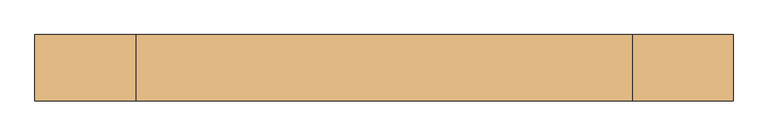
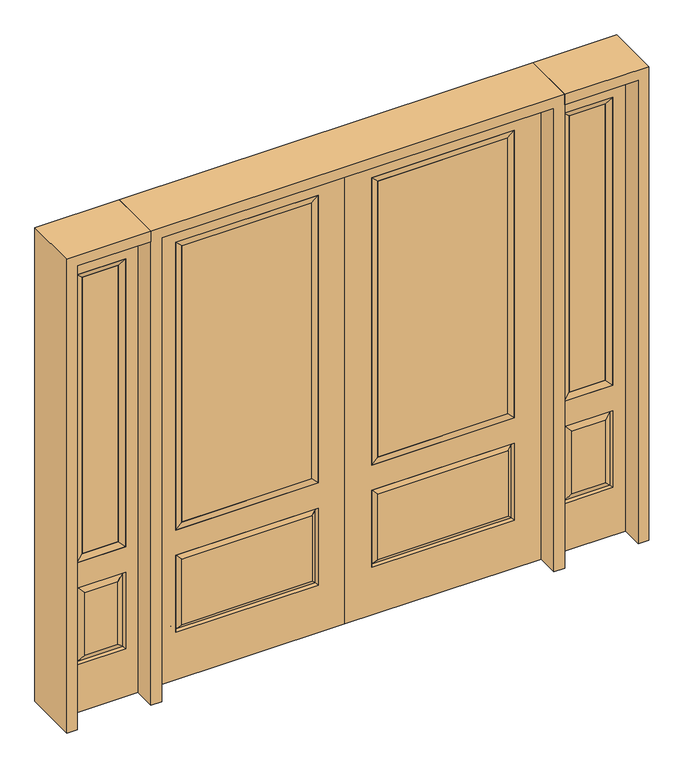
"""IFC4 building model written with IfcOpenShell, lengths in millimetres: door geometry."""

from ifc_helpers import new_model, si_unit, frame, origin, place, context, project, spatial, polyline, outline, extrude, faceted_brep, source, transform, mapped, element, save


def door_6ebdaaee(model_context):
    return source(origin(), model_context, "Body", "SolidModel", [
        faceted_brep([(694.5661499, -12.7912373, 216.6588501), (677.06875, -22.225, 234.15625), (135.73125, -22.225, 234.15625), (118.2338501, -12.7912373, 216.6588501), (111.125, -22.225, 209.55), (701.675, -22.225, 209.55), (701.675, -22.225, 546.1), (694.5661499, -12.7912373, 538.9911499), (0.0, -22.225, 2032.0), (0.0, -22.225, 0.0), (812.8, -22.225, 0.0), (812.8, -22.225, 2032.0), (111.125, -22.225, 546.1), (111.125, -22.225, 1917.7), (701.675, -22.225, 1917.7), (701.675, -22.225, 657.098), (111.125, -22.225, 657.098), (677.06875, -22.225, 521.49375), (135.73125, -22.225, 521.49375), (118.2338501, -12.7912373, 538.9911499), (812.8, 22.225, 0.0), (812.8, 22.225, 2032.0), (0.0, 22.225, 0.0), (0.0, 22.225, 2032.0), (111.125, 22.225, 657.098), (111.125, 22.225, 1917.7), (701.675, 22.225, 657.098), (701.675, 22.225, 1917.7), (135.73125, 22.225, 234.15625), (135.73125, 22.225, 521.49375), (677.06875, 22.225, 521.49375), (677.06875, 22.225, 234.15625), (701.675, 22.225, 209.55), (701.675, 22.225, 546.1), (111.125, 22.225, 546.1), (111.125, 22.225, 209.55), (118.2338501, 12.7912373, 216.6588501), (694.5661499, 12.7912373, 216.6588501), (118.2338501, 12.7912373, 538.9911499), (694.5661499, 12.7912373, 538.9911499)], [[[0, 1, 2, 3]], [[3, 4, 5, 0]], [[5, 6, 7, 0]], [[8, 9, 10, 11], [4, 12, 6, 5], [13, 14, 15, 16]], [[1, 17, 18, 2]], [[3, 19, 12, 4]], [[2, 18, 19, 3]], [[0, 7, 17, 1]], [[6, 12, 19, 7]], [[7, 19, 18, 17]], [[10, 20, 21, 11]], [[9, 22, 20, 10]], [[8, 23, 22, 9]], [[16, 24, 25, 13]], [[15, 26, 24, 16]], [[14, 27, 26, 15]], [[28, 29, 30, 31]], [[23, 21, 20, 22], [25, 24, 26, 27], [32, 33, 34, 35]], [[32, 35, 36, 37]], [[35, 34, 38, 36]], [[39, 38, 34, 33]], [[37, 39, 33, 32]], [[36, 28, 31, 37]], [[31, 30, 39, 37]], [[30, 29, 38, 39]], [[36, 38, 29, 28]], [[11, 21, 23, 8]], [[13, 25, 27, 14]]]),
        faceted_brep([(701.675, -22.225, 1917.7), (701.675, -22.225, 657.098), (701.675, 22.225, 657.098), (701.675, 22.225, 1917.7), (111.125, -22.225, 657.098), (111.125, 22.225, 657.098), (136.525, 5.08, 682.498), (676.275, 5.08, 682.498), (111.125, -22.225, 1917.7), (111.125, 22.225, 1917.7), (676.275, -20.32, 682.498), (136.525, -20.32, 682.498), (676.275, -20.32, 1892.3), (136.525, -20.32, 1892.3), (676.275, 5.08, 1892.3), (136.525, 5.08, 1892.3)], [[[0, 1, 2, 3]], [[1, 4, 5, 2]], [[2, 5, 6, 7]], [[4, 8, 9, 5]], [[10, 11, 4, 1]], [[12, 10, 1, 0]], [[11, 13, 8, 4]], [[7, 6, 11, 10]], [[14, 7, 10, 12]], [[6, 15, 13, 11]], [[3, 2, 7, 14]], [[5, 9, 15, 6]], [[8, 0, 3, 9]], [[13, 12, 0, 8]], [[15, 14, 12, 13]], [[9, 3, 14, 15]]]),
        extrude(outline(polyline([(136.525, -20.32), (136.525, 5.08), (676.275, 5.08), (676.275, -20.32), (136.525, -20.32)])), frame((0.0, 0.0, 682.498), z_axis=(0.0, 0.0, 1.0), x_axis=(1.0, 0.0, 0.0)), (0.0, 0.0, 1.0), 1209.802),
        faceted_brep([(857.25, -22.225, 0.0), (1162.05, -22.225, 0.0), (1162.05, -22.225, 2032.0), (857.25, -22.225, 2032.0), (1109.98, -22.225, 1919.224), (1109.98, -22.225, 657.098), (909.32, -22.225, 657.098), (909.32, -22.225, 1919.224), (1109.98, -22.225, 209.55), (909.32, -22.225, 209.55), (909.32, -22.225, 546.1), (1109.98, -22.225, 546.1), (941.0351001, -22.225, 241.2651001), (1078.2648999, -22.225, 241.2651001), (1078.2648999, -22.225, 514.3848999), (941.0351001, -22.225, 514.3848999), (857.25, 22.225, 0.0), (857.25, 22.225, 2032.0), (1162.05, 22.225, 2032.0), (1162.05, 22.225, 0.0), (1109.98, 22.225, 1919.224), (909.32, 22.225, 1919.224), (909.32, 22.225, 657.098), (1109.98, 22.225, 657.098), (909.32, 22.225, 209.55), (1109.98, 22.225, 209.55), (1109.98, 22.225, 546.1), (909.32, 22.225, 546.1), (1078.2648999, 22.225, 241.2651001), (941.0351001, 22.225, 241.2651001), (941.0351001, 22.225, 514.3848999), (1078.2648999, 22.225, 514.3848999), (1102.8711499, 12.7912373, 216.6588501), (916.4288501, 12.7912373, 216.6588501), (916.4288501, 12.7912373, 538.9911499), (1102.8711499, 12.7912373, 538.9911499), (916.4288501, -12.7912373, 216.6588501), (1102.8711499, -12.7912373, 216.6588501), (916.4288501, -12.7912373, 538.9911499), (1102.8711499, -12.7912373, 538.9911499)], [[[0, 1, 2, 3], [4, 5, 6, 7], [8, 9, 10, 11]], [[12, 13, 14, 15]], [[16, 17, 18, 19], [20, 21, 22, 23], [24, 25, 26, 27]], [[28, 29, 30, 31]], [[1, 0, 16, 19]], [[2, 1, 19, 18]], [[3, 2, 18, 17]], [[0, 3, 17, 16]], [[5, 4, 20, 23]], [[6, 5, 23, 22]], [[7, 6, 22, 21]], [[4, 7, 21, 20]], [[32, 33, 29, 28]], [[33, 32, 25, 24]], [[29, 33, 34, 30]], [[33, 24, 27, 34]], [[30, 34, 35, 31]], [[34, 27, 26, 35]], [[32, 28, 31, 35]], [[25, 32, 35, 26]], [[12, 36, 37, 13]], [[37, 36, 9, 8]], [[36, 12, 15, 38]], [[9, 36, 38, 10]], [[38, 15, 14, 39]], [[10, 38, 39, 11]], [[13, 37, 39, 14]], [[37, 8, 11, 39]]]),
        faceted_brep([(909.32, 22.225, 1919.224), (909.32, -22.225, 1919.224), (1109.98, -22.225, 1919.224), (1109.98, 22.225, 1919.224), (934.72, 12.7, 1893.824), (1084.58, 12.7, 1893.824), (934.72, -12.7, 1893.824), (1084.58, -12.7, 1893.824), (1109.98, -22.225, 657.098), (1109.98, 22.225, 657.098), (1084.58, 12.7, 682.498), (1084.58, -12.7, 682.498), (909.32, -22.225, 657.098), (909.32, 22.225, 657.098), (934.72, 12.7, 682.498), (934.72, -12.7, 682.498)], [[[0, 1, 2, 3]], [[4, 0, 3, 5]], [[6, 4, 5, 7]], [[1, 6, 7, 2]], [[3, 2, 8, 9]], [[5, 3, 9, 10]], [[7, 5, 10, 11]], [[2, 7, 11, 8]], [[9, 8, 12, 13]], [[10, 9, 13, 14]], [[11, 10, 14, 15]], [[8, 11, 15, 12]], [[13, 12, 1, 0]], [[14, 13, 0, 4]], [[15, 14, 4, 6]], [[12, 15, 6, 1]]]),
        extrude(outline(polyline([(1084.58, -12.7), (934.72, -12.7), (934.72, 12.7), (1084.58, 12.7), (1084.58, -12.7)])), frame((0.0, 0.0, 682.498), z_axis=(0.0, 0.0, 1.0), x_axis=(1.0, 0.0, 0.0)), (0.0, 0.0, 1.0), 1211.326),
        faceted_brep([(-1162.05, -22.225, 0.0), (-857.25, -22.225, 0.0), (-857.25, -22.225, 2032.0), (-1162.05, -22.225, 2032.0), (-909.32, -22.225, 1919.224), (-909.32, -22.225, 657.098), (-1109.98, -22.225, 657.098), (-1109.98, -22.225, 1919.224), (-909.32, -22.225, 209.55), (-1109.98, -22.225, 209.55), (-1109.98, -22.225, 546.1), (-909.32, -22.225, 546.1), (-1078.2648999, -22.225, 241.2651001), (-941.0351001, -22.225, 241.2651001), (-941.0351001, -22.225, 514.3848999), (-1078.2648999, -22.225, 514.3848999), (-1162.05, 22.225, 0.0), (-1162.05, 22.225, 2032.0), (-857.25, 22.225, 2032.0), (-857.25, 22.225, 0.0), (-909.32, 22.225, 1919.224), (-1109.98, 22.225, 1919.224), (-1109.98, 22.225, 657.098), (-909.32, 22.225, 657.098), (-1109.98, 22.225, 209.55), (-909.32, 22.225, 209.55), (-909.32, 22.225, 546.1), (-1109.98, 22.225, 546.1), (-941.0351001, 22.225, 241.2651001), (-1078.2648999, 22.225, 241.2651001), (-1078.2648999, 22.225, 514.3848999), (-941.0351001, 22.225, 514.3848999), (-916.4288501, 12.7912373, 216.6588501), (-1102.8711499, 12.7912373, 216.6588501), (-1102.8711499, 12.7912373, 538.9911499), (-916.4288501, 12.7912373, 538.9911499), (-1102.8711499, -12.7912373, 216.6588501), (-916.4288501, -12.7912373, 216.6588501), (-1102.8711499, -12.7912373, 538.9911499), (-916.4288501, -12.7912373, 538.9911499)], [[[0, 1, 2, 3], [4, 5, 6, 7], [8, 9, 10, 11]], [[12, 13, 14, 15]], [[16, 17, 18, 19], [20, 21, 22, 23], [24, 25, 26, 27]], [[28, 29, 30, 31]], [[1, 0, 16, 19]], [[2, 1, 19, 18]], [[3, 2, 18, 17]], [[0, 3, 17, 16]], [[5, 4, 20, 23]], [[6, 5, 23, 22]], [[7, 6, 22, 21]], [[4, 7, 21, 20]], [[32, 33, 29, 28]], [[33, 32, 25, 24]], [[29, 33, 34, 30]], [[33, 24, 27, 34]], [[30, 34, 35, 31]], [[34, 27, 26, 35]], [[32, 28, 31, 35]], [[25, 32, 35, 26]], [[12, 36, 37, 13]], [[37, 36, 9, 8]], [[36, 12, 15, 38]], [[9, 36, 38, 10]], [[38, 15, 14, 39]], [[10, 38, 39, 11]], [[13, 37, 39, 14]], [[37, 8, 11, 39]]]),
        faceted_brep([(-1109.98, 22.225, 1919.224), (-1109.98, -22.225, 1919.224), (-909.32, -22.225, 1919.224), (-909.32, 22.225, 1919.224), (-1084.58, 12.7, 1893.824), (-934.72, 12.7, 1893.824), (-1084.58, -12.7, 1893.824), (-934.72, -12.7, 1893.824), (-909.32, -22.225, 657.098), (-909.32, 22.225, 657.098), (-934.72, 12.7, 682.498), (-934.72, -12.7, 682.498), (-1109.98, -22.225, 657.098), (-1109.98, 22.225, 657.098), (-1084.58, 12.7, 682.498), (-1084.58, -12.7, 682.498)], [[[0, 1, 2, 3]], [[4, 0, 3, 5]], [[6, 4, 5, 7]], [[1, 6, 7, 2]], [[3, 2, 8, 9]], [[5, 3, 9, 10]], [[7, 5, 10, 11]], [[2, 7, 11, 8]], [[9, 8, 12, 13]], [[10, 9, 13, 14]], [[11, 10, 14, 15]], [[8, 11, 15, 12]], [[13, 12, 1, 0]], [[14, 13, 0, 4]], [[15, 14, 4, 6]], [[12, 15, 6, 1]]]),
        extrude(outline(polyline([(-934.72, -12.7), (-1084.58, -12.7), (-1084.58, 12.7), (-934.72, 12.7), (-934.72, -12.7)])), frame((0.0, 0.0, 682.498), z_axis=(0.0, 0.0, 1.0), x_axis=(1.0, 0.0, 0.0)), (0.0, 0.0, 1.0), 1211.326),
        faceted_brep([(-694.5661499, -12.7912373, 216.6588501), (-118.2338501, -12.7912373, 216.6588501), (-135.73125, -22.225, 234.15625), (-677.06875, -22.225, 234.15625), (-701.675, -22.225, 209.55), (-111.125, -22.225, 209.55), (-694.5661499, -12.7912373, 538.9911499), (-701.675, -22.225, 546.1), (-135.73125, -22.225, 521.49375), (-677.06875, -22.225, 521.49375), (0.0, -22.225, 2032.0), (-812.8, -22.225, 2032.0), (-812.8, -22.225, 0.0), (0.0, -22.225, 0.0), (-111.125, -22.225, 546.1), (-111.125, -22.225, 1917.7), (-111.125, -22.225, 657.098), (-701.675, -22.225, 657.098), (-701.675, -22.225, 1917.7), (-118.2338501, -12.7912373, 538.9911499), (-812.8, 22.225, 2032.0), (-812.8, 22.225, 0.0), (0.0, 22.225, 0.0), (0.0, 22.225, 2032.0), (-111.125, 22.225, 1917.7), (-111.125, 22.225, 657.098), (-701.675, 22.225, 657.098), (-701.675, 22.225, 1917.7), (-701.675, 22.225, 209.55), (-111.125, 22.225, 209.55), (-111.125, 22.225, 546.1), (-701.675, 22.225, 546.1), (-135.73125, 22.225, 234.15625), (-677.06875, 22.225, 234.15625), (-677.06875, 22.225, 521.49375), (-135.73125, 22.225, 521.49375), (-694.5661499, 12.7912373, 216.6588501), (-118.2338501, 12.7912373, 216.6588501), (-118.2338501, 12.7912373, 538.9911499), (-694.5661499, 12.7912373, 538.9911499)], [[[0, 1, 2, 3]], [[1, 0, 4, 5]], [[4, 0, 6, 7]], [[3, 2, 8, 9]], [[10, 11, 12, 13], [5, 4, 7, 14], [15, 16, 17, 18]], [[1, 5, 14, 19]], [[2, 1, 19, 8]], [[0, 3, 9, 6]], [[7, 6, 19, 14]], [[6, 9, 8, 19]], [[12, 11, 20, 21]], [[13, 12, 21, 22]], [[10, 13, 22, 23]], [[16, 15, 24, 25]], [[17, 16, 25, 26]], [[18, 17, 26, 27]], [[23, 22, 21, 20], [28, 29, 30, 31], [24, 27, 26, 25]], [[32, 33, 34, 35]], [[28, 36, 37, 29]], [[29, 37, 38, 30]], [[39, 31, 30, 38]], [[36, 28, 31, 39]], [[37, 36, 33, 32]], [[33, 36, 39, 34]], [[34, 39, 38, 35]], [[37, 32, 35, 38]], [[11, 10, 23, 20]], [[15, 18, 27, 24]]]),
        faceted_brep([(-701.675, -22.225, 1917.7), (-701.675, 22.225, 1917.7), (-701.675, 22.225, 657.098), (-701.675, -22.225, 657.098), (-111.125, 22.225, 657.098), (-111.125, -22.225, 657.098), (-676.275, 5.08, 682.498), (-136.525, 5.08, 682.498), (-111.125, 22.225, 1917.7), (-111.125, -22.225, 1917.7), (-676.275, -20.32, 682.498), (-136.525, -20.32, 682.498), (-676.275, -20.32, 1892.3), (-136.525, -20.32, 1892.3), (-676.275, 5.08, 1892.3), (-136.525, 5.08, 1892.3)], [[[0, 1, 2, 3]], [[3, 2, 4, 5]], [[2, 6, 7, 4]], [[5, 4, 8, 9]], [[10, 3, 5, 11]], [[12, 0, 3, 10]], [[11, 5, 9, 13]], [[6, 10, 11, 7]], [[14, 12, 10, 6]], [[7, 11, 13, 15]], [[1, 14, 6, 2]], [[4, 7, 15, 8]], [[9, 8, 1, 0]], [[13, 9, 0, 12]], [[15, 13, 12, 14]], [[8, 15, 14, 1]]]),
        extrude(outline(polyline([(-136.525, -20.32), (-676.275, -20.32), (-676.275, 5.08), (-136.525, 5.08), (-136.525, -20.32)])), frame((0.0, 0.0, 682.498), z_axis=(0.0, 0.0, 1.0), x_axis=(1.0, 0.0, 0.0)), (0.0, 0.0, 1.0), 1209.802),
        extrude(outline(polyline([(2032.0, -857.25), (2076.45, -857.25), (2076.45, -1206.5), (0.0, -1206.5), (0.0, -1162.05), (2032.0, -1162.05), (2032.0, -857.25)])), frame((0.0, -114.3, 0.0), z_axis=(0.0, 1.0, 0.0), x_axis=(0.0, 0.0, 1.0)), (0.0, 0.0, 1.0), 228.6),
        extrude(outline(polyline([(2076.45, -857.25), (0.0, -857.25), (0.0, -812.8), (2032.0, -812.8), (2032.0, 812.8), (0.0, 812.8), (0.0, 857.25), (2076.45, 857.25), (2076.45, -857.25)])), frame((0.0, -114.3, 0.0), z_axis=(0.0, 1.0, 0.0), x_axis=(0.0, 0.0, 1.0)), (0.0, 0.0, 1.0), 228.6),
        extrude(outline(polyline([(0.0, 1162.05), (0.0, 1206.5), (2076.45, 1206.5), (2076.45, 857.25), (2032.0, 857.25), (2032.0, 1162.05), (0.0, 1162.05)])), frame((0.0, -114.3, 0.0), z_axis=(0.0, 1.0, 0.0), x_axis=(0.0, 0.0, 1.0)), (0.0, 0.0, 1.0), 228.6),
    ])


if __name__ == "__main__":
    model = new_model("IFC4")
    model_context = context("Model", 3, world=origin())
    ifc_project = project(units=[si_unit("LENGTHUNIT", "METRE", prefix="MILLI")], contexts=[model_context])
    site = spatial("IfcSite", under=ifc_project)
    building = spatial("IfcBuilding", under=site)
    placement = place(None, origin())
    door_shape = door_6ebdaaee(model_context)
    element("IfcDoor", 1, at=placement, inside=building, context=model_context, shape_type="MappedRepresentation", body=[
        mapped(door_shape, transform((0.0, 0.0, 0.0), x_axis=(1.0, 0.0, 0.0), y_axis=(0.0, 1.0, 0.0), z_axis=(0.0, 0.0, 1.0))),
    ])
    save(model, "model.ifc")
